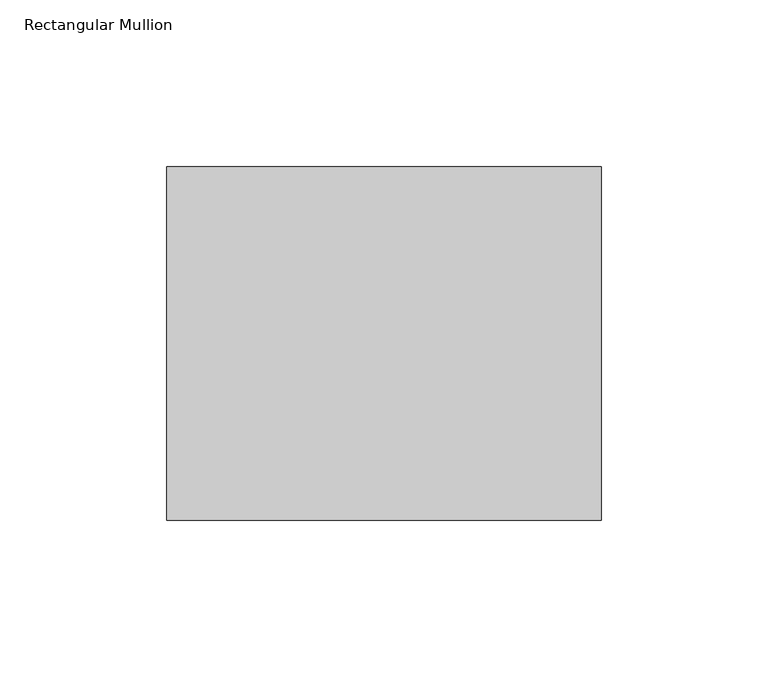
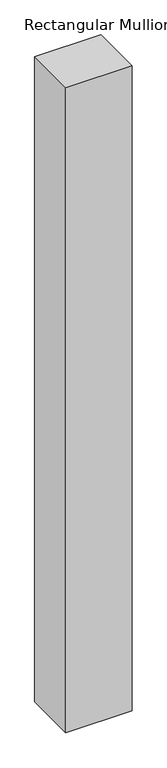
"""IFC4 building model written with IfcOpenShell, lengths in millimetres: member geometry, Rectangular Mullion."""

from ifc_helpers import new_model, si_unit, frame, origin, place, context, project, spatial, polyline, outline, extrude, source, transform, mapped, element, save


def rectangular_mullion_2419ca91(model_context):
    return source(origin(), model_context, "Body", "SweptSolid", [
        extrude(outline(polyline([(-130.0, -52.8779994), (-130.0, 52.8779994), (0.0, 52.8779994), (0.0, -52.8779994), (-130.0, -52.8779994)])), frame((0.0, 0.0, -1340.0), z_axis=(0.0, 0.0, 1.0), x_axis=(1.0, 0.0, 0.0)), (0.0, 0.0, 1.0), 1340.0),
    ])


if __name__ == "__main__":
    model = new_model("IFC4")
    model_context = context("Model", 3, world=origin())
    ifc_project = project(units=[si_unit("LENGTHUNIT", "METRE", prefix="MILLI")], contexts=[model_context])
    site = spatial("IfcSite", under=ifc_project)
    building = spatial("IfcBuilding", under=site)
    placement = place(None, origin())
    rectangular_mullion_shape = rectangular_mullion_2419ca91(model_context)
    element("IfcMember", 1, ObjectType="Rectangular Mullion", at=placement, inside=building, context=model_context, shape_type="MappedRepresentation", body=[
        mapped(rectangular_mullion_shape, transform((0.0, 0.0, 0.0), x_axis=(1.0, 0.0, 0.0), y_axis=(0.0, 1.0, 0.0), z_axis=(0.0, 0.0, 1.0))),
    ])
    save(model, "model.ifc")
